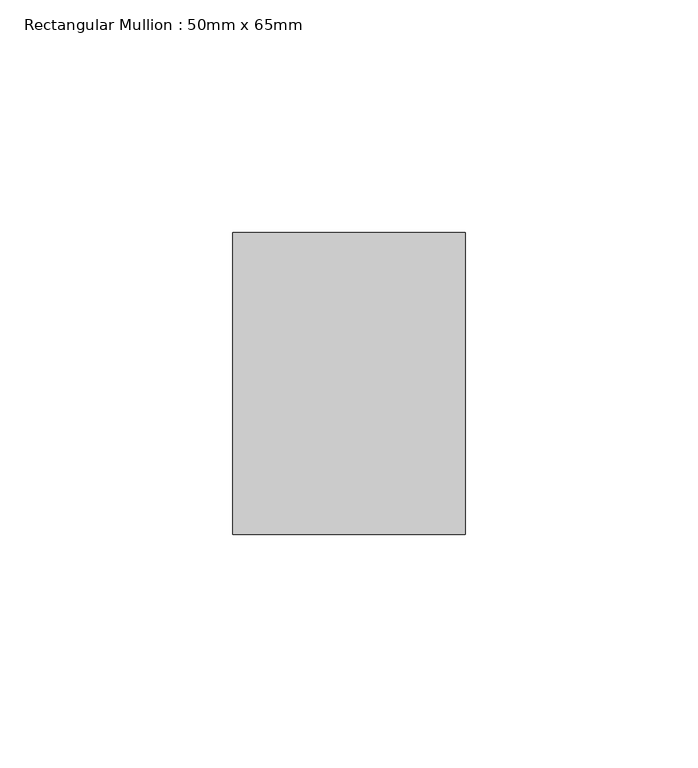
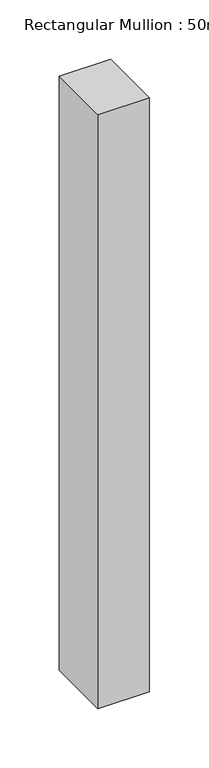
"""IFC4 building model written with IfcOpenShell, lengths in millimetres: member geometry, Rectangular Mullion : 50mm x 65mm."""

from ifc_helpers import new_model, si_unit, frame, origin, place, context, project, spatial, polyline, outline, extrude, source, transform, mapped, element, save


def rectangular_mullion_50mm_x_65mm_dd9e62df(model_context):
    return source(origin(), model_context, "Body", "SweptSolid", [
        extrude(outline(polyline([(25.0, 32.5), (25.0, -32.5), (-25.0, -32.5), (-25.0, 32.5), (25.0, 32.5)])), frame((0.0, 0.0, -610.7646795), z_axis=(0.0, 0.0, 1.0), x_axis=(1.0, 0.0, 0.0)), (0.0, 0.0, 1.0), 610.7646795),
    ])


if __name__ == "__main__":
    model = new_model("IFC4")
    model_context = context("Model", 3, world=origin())
    ifc_project = project(units=[si_unit("LENGTHUNIT", "METRE", prefix="MILLI")], contexts=[model_context])
    site = spatial("IfcSite", under=ifc_project)
    building = spatial("IfcBuilding", under=site)
    placement = place(None, origin())
    rectangular_mullion_50mm_x_65mm_shape = rectangular_mullion_50mm_x_65mm_dd9e62df(model_context)
    element("IfcMember", 1, ObjectType="Rectangular Mullion : 50mm x 65mm", at=placement, inside=building, context=model_context, shape_type="MappedRepresentation", body=[
        mapped(rectangular_mullion_50mm_x_65mm_shape, transform((0.0, 0.0, 0.0), x_axis=(1.0, 0.0, 0.0), y_axis=(0.0, 1.0, 0.0), z_axis=(0.0, 0.0, 1.0))),
    ])
    save(model, "model.ifc")
